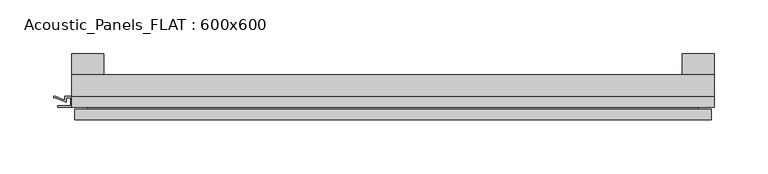
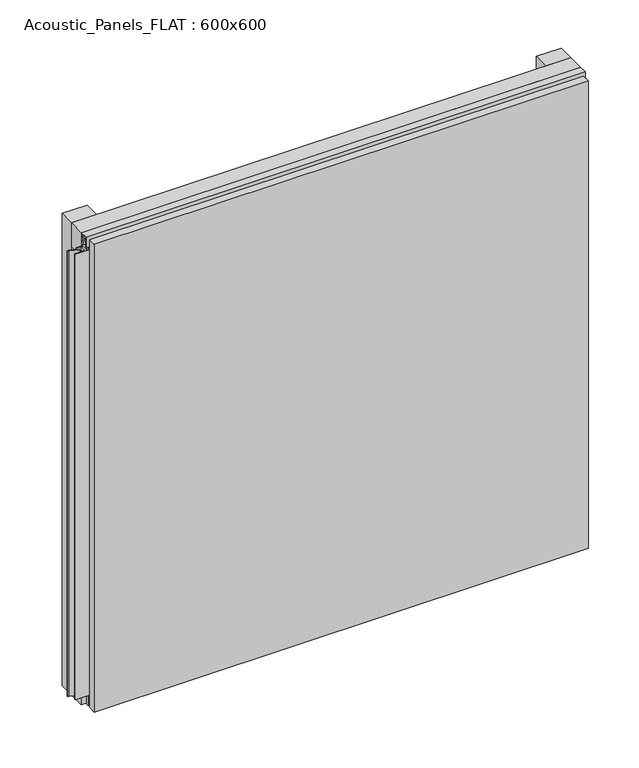
"""IFC4 building model written with IfcOpenShell, lengths in millimetres: plate geometry, Acoustic_Panels_FLAT : 600x600."""

from ifc_helpers import new_model, si_unit, frame, origin, origin_with_axes, place, context, project, spatial, polyline, outline, extrude, faceted_brep, source, transform, mapped, element, save


def acoustic_panels_flat_600x600_b2b17450(model_context):
    return source(origin(), model_context, "Body", "SolidModel", [
        extrude(outline(polyline([(-300.0, -40.0), (-300.0, -20.0), (300.0, -20.0), (300.0, -40.0), (-300.0, -40.0)])), frame((0.0, 0.0, 570.0), z_axis=(0.0, 0.0, 1.0), x_axis=(1.0, 0.0, 0.0)), (0.0, 0.0, 1.0), 30.0),
        extrude(outline(polyline([(-300.0, -40.0), (-300.0, -20.0), (300.0, -20.0), (300.0, -40.0), (-300.0, -40.0)])), origin_with_axes(), (0.0, 0.0, 1.0), 30.0),
        extrude(outline(polyline([(270.0, 0.0), (300.0, 0.0), (300.0, -20.0), (270.0, -20.0), (270.0, 0.0)])), origin_with_axes(), (0.0, 0.0, 1.0), 600.0),
        extrude(outline(polyline([(-270.0, 0.0), (-270.0, -20.0), (-300.0, -20.0), (-300.0, 0.0), (-270.0, 0.0)])), origin_with_axes(), (0.0, 0.0, 1.0), 600.0),
        extrude(outline(polyline([(-40.0, 593.700916), (-43.5, 593.700916), (-40.0553267, 584.6441401), (-40.0553267, 577.008452), (-41.4553267, 577.008452), (-41.4553267, 584.4296606), (-45.5140545, 595.100916), (-41.4, 595.100916), (-41.4, 598.5843193), (-48.7, 598.5843193), (-48.7, 586.5843193), (-50.1, 586.5843193), (-50.1, 600.0), (-40.0, 600.0), (-40.0, 593.700916)])), frame((-300.0, 0.0, 0.0), z_axis=(1.0, 0.0, 0.0), x_axis=(0.0, 1.0, 0.0)), (0.0, 0.0, 1.0), 600.0),
        extrude(outline(polyline([(293.700916, -40.0), (300.0, -40.0), (300.0, -50.1), (286.5843193, -50.1), (286.5843193, -48.7), (298.5843193, -48.7), (298.5843193, -41.4), (295.100916, -41.4), (295.100916, -45.5140545), (284.4296606, -41.4553267), (277.008452, -41.4553267), (277.008452, -40.0553267), (284.6441401, -40.0553267), (293.700916, -43.5), (293.700916, -40.0)])), frame((0.0, 0.0, 16.9558599), z_axis=(0.0, 0.0, 1.0), x_axis=(1.0, 0.0, 0.0)), (0.0, 0.0, 1.0), 566.0882802),
        extrude(outline(polyline([(-300.899084, -48.7), (-300.899084, -41.4), (-304.899084, -41.4), (-304.899084, -45.5140545), (-315.5703394, -41.4553267), (-316.9558599, -41.4553267), (-316.9558599, -40.0553267), (-315.3558599, -40.0553267), (-306.299084, -43.5), (-306.299084, -40.0), (-293.700916, -40.0), (-293.700916, -43.5), (-284.6441401, -40.0553267), (-283.0441401, -40.0553267), (-283.0441401, -41.4553267), (-284.4296606, -41.4553267), (-295.100916, -45.5140545), (-295.100916, -41.4), (-299.100916, -41.4), (-299.100916, -48.7), (-287.100916, -48.7), (-287.100916, -50.1), (-312.899084, -50.1), (-312.899084, -48.7), (-300.899084, -48.7)])), frame((0.0, 0.0, 16.9558599), z_axis=(0.0, 0.0, 1.0), x_axis=(1.0, 0.0, 0.0)), (0.0, 0.0, 1.0), 566.0882802),
        faceted_brep([(297.0, -45.9, 597.0), (-297.0, -45.9, 597.0), (-297.0, -48.7, 597.0), (297.0, -48.7, 597.0), (-297.0, -61.9, 597.0), (297.0, -61.9, 597.0), (297.0, -51.9, 597.0), (-297.0, -51.9, 597.0), (-297.0, -45.9, 3.0), (297.0, -45.9, 3.0), (297.0, -48.7, 3.0), (-297.0, -48.7, 3.0), (297.0, -61.9, 3.0), (-297.0, -61.9, 3.0), (-297.0, -51.9, 3.0), (297.0, -51.9, 3.0), (285.0, -51.9, 585.0), (285.0, -51.9, 15.0), (285.0, -48.7, 15.0), (285.0, -48.7, 585.0), (-285.0, -51.9, 15.0), (-285.0, -48.7, 15.0), (-285.0, -51.9, 585.0), (-285.0, -48.7, 585.0)], [[[0, 1, 2, 3]], [[4, 5, 6, 7]], [[8, 9, 10, 11]], [[12, 13, 14, 15]], [[1, 0, 9, 8]], [[1, 8, 11, 2]], [[13, 4, 7, 14]], [[5, 4, 13, 12]], [[9, 0, 3, 10]], [[5, 12, 15, 6]], [[16, 17, 18, 19]], [[18, 17, 20, 21]], [[21, 20, 22, 23]], [[16, 19, 23, 22]], [[7, 6, 15, 14], [17, 16, 22, 20]], [[3, 2, 11, 10], [19, 18, 21, 23]]]),
    ])


if __name__ == "__main__":
    model = new_model("IFC4")
    model_context = context("Model", 3, world=origin())
    ifc_project = project(units=[si_unit("LENGTHUNIT", "METRE", prefix="MILLI")], contexts=[model_context])
    site = spatial("IfcSite", under=ifc_project)
    building = spatial("IfcBuilding", under=site)
    placement = place(None, origin())
    acoustic_panels_flat_600x600_shape = acoustic_panels_flat_600x600_b2b17450(model_context)
    element("IfcPlate", 1, ObjectType="Acoustic_Panels_FLAT : 600x600", at=placement, inside=building, context=model_context, shape_type="MappedRepresentation", body=[
        mapped(acoustic_panels_flat_600x600_shape, transform((0.0, 0.0, 0.0), x_axis=(1.0, 0.0, 0.0), y_axis=(0.0, 1.0, 0.0), z_axis=(0.0, 0.0, 1.0))),
    ])
    save(model, "model.ifc")
